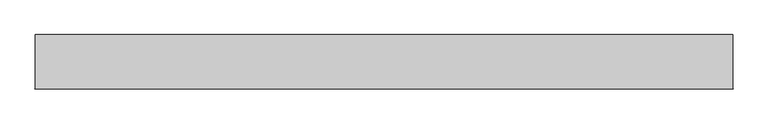
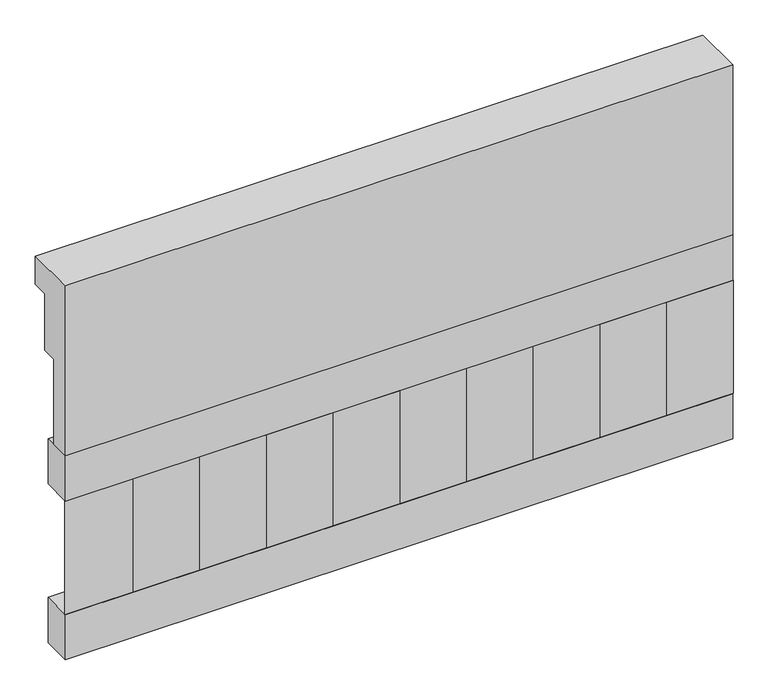
"""IFC4 building model written with IfcOpenShell, lengths in millimetres: railing geometry."""

from ifc_helpers import new_model, si_unit, frame, origin, place, context, project, spatial, polyline, outline, extrude, source, transform, mapped, element, save


def railing_e8316d87(model_context):
    return source(origin(), model_context, "Body", "SweptSolid", [
        extrude(outline(polyline([(903.1079487, 28400.0), (1033.1079487, 28400.0), (1033.1079487, 28325.0), (993.1079487, 28325.0), (993.1079487, 28175.0), (953.1079487, 28175.0), (953.1079487, 27950.0), (903.1079487, 27950.0), (903.1079487, 28400.0)])), frame((-12439.9887159, 0.0, 0.0), z_axis=(1.0, 0.0, 0.0), x_axis=(0.0, 1.0, 0.0)), (0.0, 0.0, 1.0), 1670.0),
        extrude(outline(polyline([(-10769.9887159, 978.1079487), (-10769.9887159, 903.1079487), (-12439.9887159, 903.1079487), (-12439.9887159, 978.1079487), (-10769.9887159, 978.1079487)])), frame((0.0, 0.0, 27830.0), z_axis=(0.0, 0.0, 1.0), x_axis=(1.0, 0.0, 0.0)), (0.0, 0.0, 1.0), 120.0),
        extrude(outline(polyline([(-10769.9887159, 978.1079487), (-10769.9887159, 903.1079487), (-12439.9887159, 903.1079487), (-12439.9887159, 978.1079487), (-10769.9887159, 978.1079487)])), frame((0.0, 0.0, 27410.0), z_axis=(0.0, 0.0, 1.0), x_axis=(1.0, 0.0, 0.0)), (0.0, 0.0, 1.0), 120.0),
        extrude(outline(polyline([(-12356.4887159, 987.9607624), (-12271.6359022, 903.1079487), (-12441.3415296, 903.1079487), (-12356.4887159, 987.9607624)])), frame((0.0, 0.0, 27530.0), z_axis=(0.0, 0.0, 1.0), x_axis=(1.0, 0.0, 0.0)), (0.0, 0.0, 1.0), 300.0),
        extrude(outline(polyline([(-12189.4887159, 987.9607624), (-12104.6359022, 903.1079487), (-12274.3415296, 903.1079487), (-12189.4887159, 987.9607624)])), frame((0.0, 0.0, 27530.0), z_axis=(0.0, 0.0, 1.0), x_axis=(1.0, 0.0, 0.0)), (0.0, 0.0, 1.0), 300.0),
        extrude(outline(polyline([(-12022.4887159, 987.9607624), (-11937.6359022, 903.1079487), (-12107.3415296, 903.1079487), (-12022.4887159, 987.9607624)])), frame((0.0, 0.0, 27530.0), z_axis=(0.0, 0.0, 1.0), x_axis=(1.0, 0.0, 0.0)), (0.0, 0.0, 1.0), 300.0),
        extrude(outline(polyline([(-11855.4887159, 987.9607624), (-11770.6359022, 903.1079487), (-11940.3415296, 903.1079487), (-11855.4887159, 987.9607624)])), frame((0.0, 0.0, 27530.0), z_axis=(0.0, 0.0, 1.0), x_axis=(1.0, 0.0, 0.0)), (0.0, 0.0, 1.0), 300.0),
        extrude(outline(polyline([(-11688.4887159, 987.9607624), (-11603.6359022, 903.1079487), (-11773.3415296, 903.1079487), (-11688.4887159, 987.9607624)])), frame((0.0, 0.0, 27530.0), z_axis=(0.0, 0.0, 1.0), x_axis=(1.0, 0.0, 0.0)), (0.0, 0.0, 1.0), 300.0),
        extrude(outline(polyline([(-11521.4887159, 987.9607624), (-11436.6359022, 903.1079487), (-11606.3415296, 903.1079487), (-11521.4887159, 987.9607624)])), frame((0.0, 0.0, 27530.0), z_axis=(0.0, 0.0, 1.0), x_axis=(1.0, 0.0, 0.0)), (0.0, 0.0, 1.0), 300.0),
        extrude(outline(polyline([(-11354.4887159, 987.9607624), (-11269.6359022, 903.1079487), (-11439.3415296, 903.1079487), (-11354.4887159, 987.9607624)])), frame((0.0, 0.0, 27530.0), z_axis=(0.0, 0.0, 1.0), x_axis=(1.0, 0.0, 0.0)), (0.0, 0.0, 1.0), 300.0),
        extrude(outline(polyline([(-11187.4887159, 987.9607624), (-11102.6359022, 903.1079487), (-11272.3415296, 903.1079487), (-11187.4887159, 987.9607624)])), frame((0.0, 0.0, 27530.0), z_axis=(0.0, 0.0, 1.0), x_axis=(1.0, 0.0, 0.0)), (0.0, 0.0, 1.0), 300.0),
        extrude(outline(polyline([(-11020.4887159, 987.9607624), (-10935.6359022, 903.1079487), (-11105.3415296, 903.1079487), (-11020.4887159, 987.9607624)])), frame((0.0, 0.0, 27530.0), z_axis=(0.0, 0.0, 1.0), x_axis=(1.0, 0.0, 0.0)), (0.0, 0.0, 1.0), 300.0),
        extrude(outline(polyline([(-10853.4887159, 987.9607624), (-10768.6359022, 903.1079487), (-10938.3415296, 903.1079487), (-10853.4887159, 987.9607624)])), frame((0.0, 0.0, 27530.0), z_axis=(0.0, 0.0, 1.0), x_axis=(1.0, 0.0, 0.0)), (0.0, 0.0, 1.0), 300.0),
    ])


if __name__ == "__main__":
    model = new_model("IFC4")
    model_context = context("Model", 3, world=origin())
    ifc_project = project(units=[si_unit("LENGTHUNIT", "METRE", prefix="MILLI")], contexts=[model_context])
    site = spatial("IfcSite", under=ifc_project)
    building = spatial("IfcBuilding", under=site)
    placement = place(None, origin())
    railing_shape = railing_e8316d87(model_context)
    element("IfcRailing", 1, at=placement, inside=building, context=model_context, shape_type="MappedRepresentation", body=[
        mapped(railing_shape, transform((0.0, 0.0, 0.0), x_axis=(1.0, 0.0, 0.0), y_axis=(0.0, 1.0, 0.0), z_axis=(0.0, 0.0, 1.0))),
    ])
    save(model, "model.ifc")
